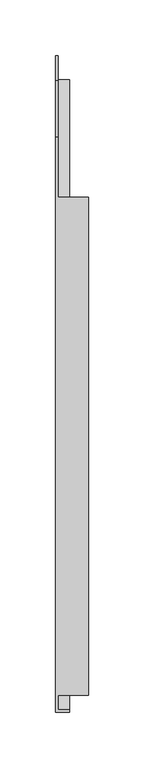
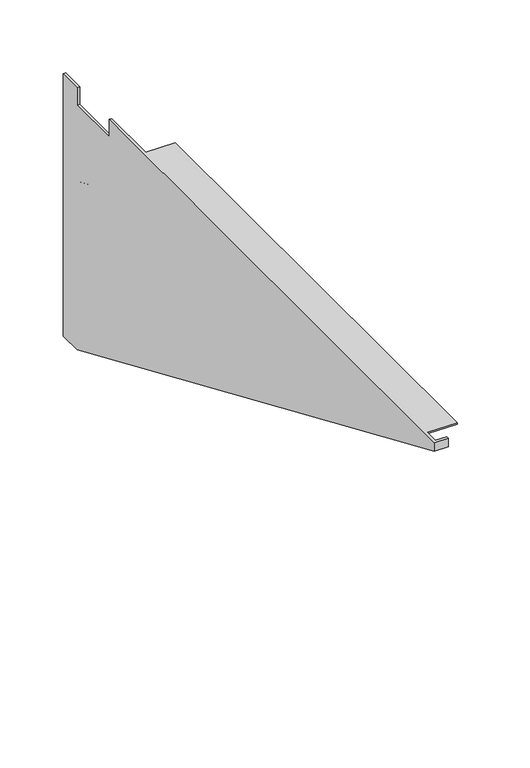
"""IFC4 building model written with IfcOpenShell, lengths in millimetres: furniture geometry."""

from ifc_helpers import new_model, si_unit, origin, place, context, project, spatial, faceted_brep, source, transform, mapped, element, save


def furniture_11fcdfc2(model_context):
    return source(origin(), model_context, "Body", "Brep", [
        faceted_brep([(23.1139999, 211.9808613, 706.4248), (-4.07162, 211.9808613, 706.4248), (-4.07162, 265.9558598, 706.4248), (-6.3539688, 265.9558598, 706.4248), (-6.3539688, -250.0807006, 706.4248), (6.3460312, -250.0807006, 706.4248), (6.3460312, -247.8023206, 706.4248), (-4.07162, -247.8023206, 706.4248), (-4.07162, -235.0589776, 706.4248), (23.1139999, -235.0589776, 706.4248), (23.1139999, -235.0589776, 704.9008015), (-4.07162, -235.0589776, 704.9008015), (-4.07162, 211.9808613, 704.9008015), (23.1139999, 211.9808613, 704.9008015), (-6.35, 265.9558598, 689.4583937), (-6.35, 316.7558601, 689.4583937), (-6.35, 316.7558601, 706.4248), (-6.35, 338.9808594, 706.4248), (-6.35, 338.9808594, 452.4248), (-6.35, 316.7558601, 452.4248), (-6.35, -250.0807006, 697.8336238), (-4.07162, -247.8023206, 699.3299569), (-4.07162, 317.6610766, 454.5156368), (-4.07162, 316.7558601, 452.4248), (-4.07162, 338.9808594, 452.4248), (-4.07162, 338.9808594, 706.4248), (-4.07162, 316.7558601, 706.4248), (-4.07162, 316.7558601, 689.4583937), (-4.07162, 265.9558598, 689.4583937), (6.3460312, -247.8023206, 699.3299569), (6.3460312, 317.6610766, 454.5156368), (6.3460312, -250.0807006, 697.8336238), (6.3460312, 316.7558601, 452.4248)], [[[0, 1, 2, 3, 4, 5, 6, 7, 8, 9]], [[10, 11, 12, 13]], [[13, 12, 1, 0]], [[9, 10, 13, 0]], [[9, 8, 11, 10]], [[3, 14, 15, 16, 17, 18, 19, 20, 4]], [[2, 1, 12, 11, 8, 7, 21, 22, 23, 24, 25, 26, 27, 28]], [[28, 14, 3, 2]], [[27, 15, 14, 28]], [[26, 16, 15, 27]], [[25, 17, 16, 26]], [[24, 18, 17, 25]], [[23, 19, 18, 24]], [[29, 30, 22, 21]], [[6, 29, 21, 7]], [[31, 20, 19, 23, 32]], [[4, 20, 31, 5]], [[23, 22, 30, 32]], [[5, 31, 32, 30, 29, 6]]]),
        faceted_brep([(-4.07162, 265.9558598, 706.4248), (-4.07162, 211.9808613, 706.4248), (-4.07162, 211.9808613, 704.9008015), (-4.07162, -235.0589776, 704.9008015), (-4.07162, -235.0589776, 706.4248), (-4.07162, -247.8023206, 706.4248), (-4.07162, -247.8023206, 699.3299569), (-4.07162, 317.6610766, 454.5156368), (-4.07162, 316.7558601, 452.4248), (-4.07162, 338.9808594, 452.4248), (-4.07162, 338.9808594, 706.4248), (-4.07162, 316.7558601, 706.4248), (-4.07162, 316.7558601, 689.4583937), (-4.07162, 265.9558598, 689.4583937), (-4.07162, 316.7558601, 501.1373491), (-4.07162, 316.7558601, 488.9453491), (-4.07162, -146.382029, 689.4583937), (-4.07162, -118.2213816, 689.4583937), (-4.07162, 316.7558601, 564.6400317), (-4.07162, 316.7558601, 552.4480317), (-4.07162, 0.2942056, 689.4583937), (-4.07162, 28.454853, 689.4583937), (-4.07162, 316.7558601, 628.1427143), (-4.07162, 316.7558601, 615.9507143), (-4.07162, 146.9704402, 689.4583937), (-4.07162, 175.1310876, 689.4583937), (-6.3539688, -250.0807006, 706.4248), (-6.3539688, 265.9558598, 706.4248), (-6.3539688, 265.9558598, 689.4583937), (-6.3539688, 316.7558601, 689.4583937), (-6.3539688, 316.7558601, 706.4248), (-6.3539688, 338.9808594, 706.4248), (-6.3539688, 338.9808594, 452.4248), (-6.3539688, 316.7558601, 452.4248), (-6.3539688, -250.0807006, 697.8336238), (-6.3539688, -118.2213816, 689.4583937), (-6.3539688, -146.382029, 689.4583937), (-6.3539688, 316.7558601, 488.9453491), (-6.3539688, 316.7558601, 501.1373491), (-6.3539688, 28.454853, 689.4583937), (-6.3539688, 0.2942056, 689.4583937), (-6.3539688, 316.7558601, 552.4480317), (-6.3539688, 316.7558601, 564.6400317), (-6.3539688, 175.1310876, 689.4583937), (-6.3539688, 146.9704402, 689.4583937), (-6.3539688, 316.7558601, 615.9507143), (-6.3539688, 316.7558601, 628.1427143), (6.3460312, 316.7558601, 452.4248), (6.3460312, -250.0807006, 697.8336238), (6.3460312, -250.0807006, 706.4248), (6.3460312, -247.8023206, 706.4248), (23.1139999, -235.0589776, 706.4248), (23.1139999, 211.9808613, 706.4248), (23.1139999, -235.0589776, 704.9008015), (23.1139999, 211.9808613, 704.9008015), (6.3460312, -247.8023206, 699.3299569), (6.3460312, 317.6610766, 454.5156368), (-4.86537, -118.2213816, 689.4583937), (-4.86537, -146.382029, 689.4583937), (-4.86537, 316.7558601, 488.9453491), (-4.86537, 316.7558601, 501.1373491), (-4.86537, 28.454853, 689.4583937), (-4.86537, 0.2942056, 689.4583937), (-4.86537, 316.7558601, 552.4480317), (-4.86537, 316.7558601, 564.6400317), (-4.86537, 175.1310876, 689.4583937), (-4.86537, 146.9704402, 689.4583937), (-4.86537, 316.7558601, 615.9507143), (-4.86537, 316.7558601, 628.1427143), (-5.55625, -118.2213816, 689.4583937), (-5.55625, 316.7558601, 501.1373491), (-5.55625, 316.7558601, 488.9453491), (-5.55625, -146.382029, 689.4583937), (-5.55625, 28.454853, 689.4583937), (-5.55625, 316.7558601, 564.6400317), (-5.55625, 316.7558601, 552.4480317), (-5.55625, 0.2942056, 689.4583937), (-5.55625, 175.1310876, 689.4583937), (-5.55625, 316.7558601, 628.1427143), (-5.55625, 316.7558601, 615.9507143), (-5.55625, 146.9704402, 689.4583937)], [[[0, 1, 2, 3, 4, 5, 6, 7, 8, 9, 10, 11, 12, 13], [14, 15, 16, 17], [18, 19, 20, 21], [22, 23, 24, 25]], [[26, 27, 28, 29, 30, 31, 32, 33, 34], [35, 36, 37, 38], [39, 40, 41, 42], [43, 44, 45, 46]], [[13, 28, 27, 0]], [[12, 29, 28, 13]], [[11, 30, 29, 12]], [[10, 31, 30, 11]], [[9, 32, 31, 10]], [[8, 33, 32, 9]], [[33, 8, 47, 48, 34]], [[27, 26, 49, 50, 5, 4, 51, 52, 1, 0]], [[53, 3, 2, 54]], [[54, 2, 1, 52]], [[54, 52, 51, 53]], [[51, 4, 3, 53]], [[34, 48, 49, 26]], [[55, 56, 7, 6]], [[50, 55, 6, 5]], [[57, 58, 59, 60]], [[61, 62, 63, 64]], [[65, 66, 67, 68]], [[60, 14, 17, 57]], [[59, 15, 14, 60]], [[58, 16, 15, 59]], [[57, 17, 16, 58]], [[64, 18, 21, 61]], [[63, 19, 18, 64]], [[62, 20, 19, 63]], [[61, 21, 20, 62]], [[68, 22, 25, 65]], [[67, 23, 22, 68]], [[66, 24, 23, 67]], [[65, 25, 24, 66]], [[69, 70, 71, 72]], [[73, 74, 75, 76]], [[77, 78, 79, 80]], [[69, 35, 38, 70]], [[70, 38, 37, 71]], [[71, 37, 36, 72]], [[72, 36, 35, 69]], [[73, 39, 42, 74]], [[74, 42, 41, 75]], [[75, 41, 40, 76]], [[76, 40, 39, 73]], [[77, 43, 46, 78]], [[78, 46, 45, 79]], [[79, 45, 44, 80]], [[80, 44, 43, 77]], [[8, 7, 56, 47]], [[49, 48, 47, 56, 55, 50]]]),
    ])


if __name__ == "__main__":
    model = new_model("IFC4")
    model_context = context("Model", 3, world=origin())
    ifc_project = project(units=[si_unit("LENGTHUNIT", "METRE", prefix="MILLI")], contexts=[model_context])
    site = spatial("IfcSite", under=ifc_project)
    building = spatial("IfcBuilding", under=site)
    placement = place(None, origin())
    furniture_shape = furniture_11fcdfc2(model_context)
    element("IfcFurniture", 1, at=placement, inside=building, context=model_context, shape_type="MappedRepresentation", body=[
        mapped(furniture_shape, transform((0.0, 0.0, 0.0), x_axis=(1.0, 0.0, 0.0), y_axis=(0.0, 1.0, 0.0), z_axis=(0.0, 0.0, 1.0))),
    ])
    save(model, "model.ifc")
